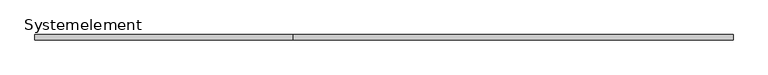
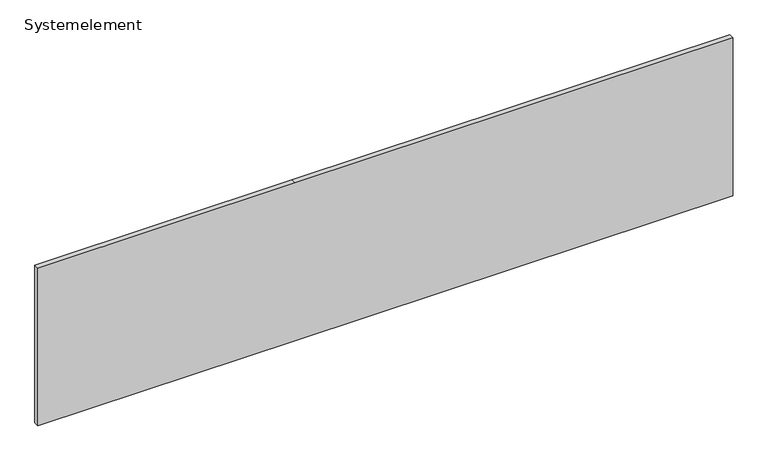
"""IFC4 building model written with IfcOpenShell, lengths in millimetres: plate geometry, Systemelement."""

from ifc_helpers import new_model, si_unit, frame, origin, place, context, project, spatial, polyline, outline, extrude, source, transform, mapped, element, save


def systemelement_77a4df2d(model_context):
    return source(origin(), model_context, "Body", "SweptSolid", [
        extrude(outline(polyline([(0.0, -675.0), (0.0, -175.0), (0.0, 675.0), (324.0, 675.0), (324.0, -175.0), (324.0, -675.0), (0.0, -675.0)])), frame((0.0, 0.0, 0.0), z_axis=(0.0, 1.0, 0.0), x_axis=(0.0, 0.0, 1.0)), (0.0, 0.0, 1.0), 10.0),
    ])


if __name__ == "__main__":
    model = new_model("IFC4")
    model_context = context("Model", 3, world=origin())
    ifc_project = project(units=[si_unit("LENGTHUNIT", "METRE", prefix="MILLI")], contexts=[model_context])
    site = spatial("IfcSite", under=ifc_project)
    building = spatial("IfcBuilding", under=site)
    placement = place(None, origin())
    systemelement_shape = systemelement_77a4df2d(model_context)
    element("IfcPlate", 1, ObjectType="Systemelement", at=placement, inside=building, context=model_context, shape_type="MappedRepresentation", body=[
        mapped(systemelement_shape, transform((0.0, 0.0, 0.0), x_axis=(1.0, 0.0, 0.0), y_axis=(0.0, 1.0, 0.0), z_axis=(0.0, 0.0, 1.0))),
    ])
    save(model, "model.ifc")
